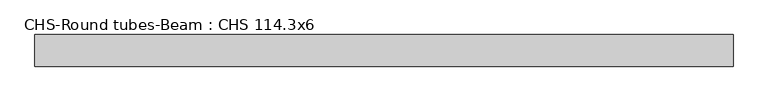
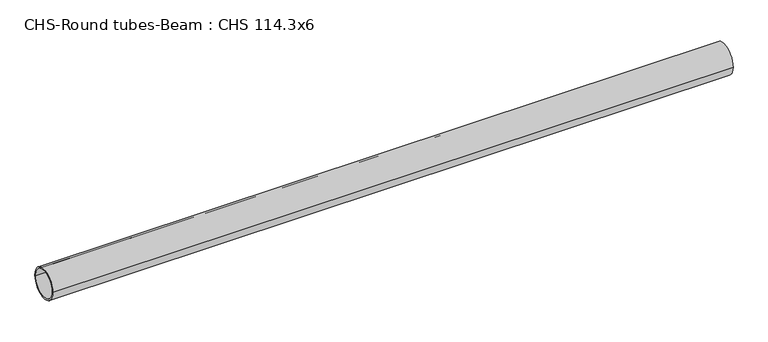
"""IFC4 building model written with IfcOpenShell, lengths in millimetres: beam geometry, CHS-Round tubes-Beam : CHS 114.3x6."""

from ifc_helpers import new_model, si_unit, point, frame, origin, origin_2d, place, context, project, spatial, circle_curve, trimmed, segment, composite_curve, outline, extrude, source, transform, mapped, element, save


def chs_round_tubes_beam_chs_114_3x6_02a1c65b(model_context):
    return source(origin(), model_context, "Body", "SweptSolid", [
        extrude(outline(composite_curve([segment(trimmed(circle_curve(origin_2d(), 57.15), [point((57.15, 0.0))], [point((-57.15, 0.0))], False, "CARTESIAN"), True, "CONTINUOUS"), segment(trimmed(circle_curve(origin_2d(), 57.15), [point((-57.15, 0.0))], [point((57.15, 0.0))], False, "CARTESIAN"), True, "CONTINUOUS")], self_intersect=False), holes=[composite_curve([segment(trimmed(circle_curve(origin_2d(), 51.15), [point((51.15, 0.0))], [point((-51.15, 0.0))], True, "CARTESIAN"), True, "CONTINUOUS"), segment(trimmed(circle_curve(origin_2d(), 51.15), [point((-51.15, 0.0))], [point((51.15, 0.0))], True, "CARTESIAN"), True, "CONTINUOUS")], self_intersect=False)]), frame((-1193.8071941, 0.0, 0.0), z_axis=(1.0, 0.0, 0.0), x_axis=(0.0, 1.0, 0.0)), (0.0, 0.0, 1.0), 2523.5979077),
    ])


if __name__ == "__main__":
    model = new_model("IFC4")
    model_context = context("Model", 3, world=origin())
    ifc_project = project(units=[si_unit("LENGTHUNIT", "METRE", prefix="MILLI")], contexts=[model_context])
    site = spatial("IfcSite", under=ifc_project)
    building = spatial("IfcBuilding", under=site)
    placement = place(None, origin())
    chs_round_tubes_beam_chs_114_3x6_shape = chs_round_tubes_beam_chs_114_3x6_02a1c65b(model_context)
    element("IfcBeam", 1, ObjectType="CHS-Round tubes-Beam : CHS 114.3x6", at=placement, inside=building, context=model_context, shape_type="MappedRepresentation", body=[
        mapped(chs_round_tubes_beam_chs_114_3x6_shape, transform((0.0, 0.0, 0.0), x_axis=(1.0, 0.0, 0.0), y_axis=(0.0, 1.0, 0.0), z_axis=(0.0, 0.0, 1.0))),
    ])
    save(model, "model.ifc")
